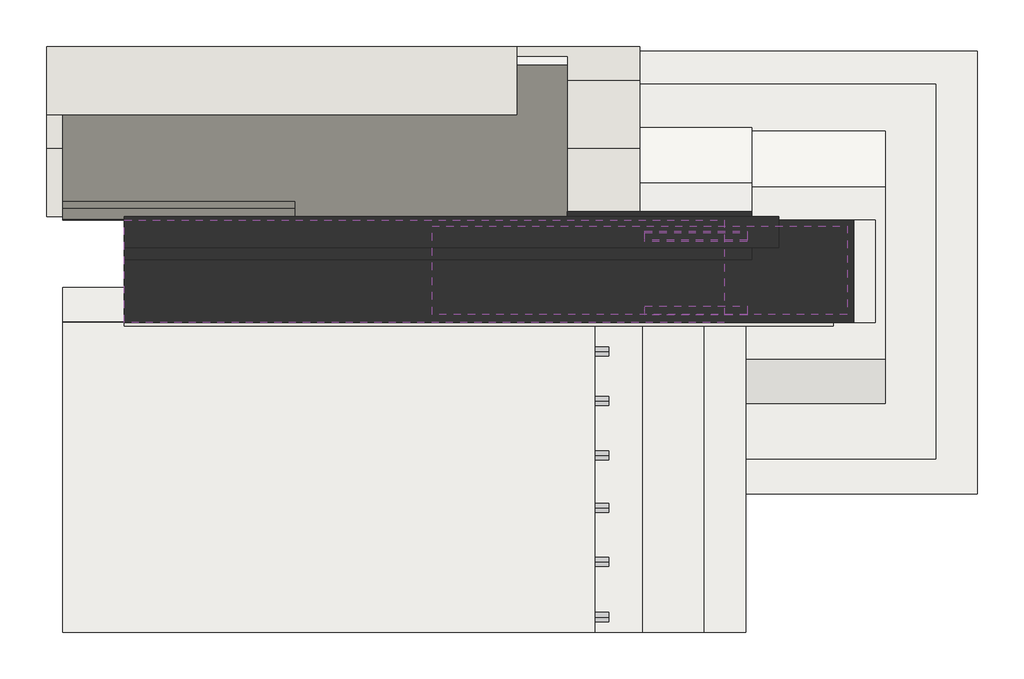
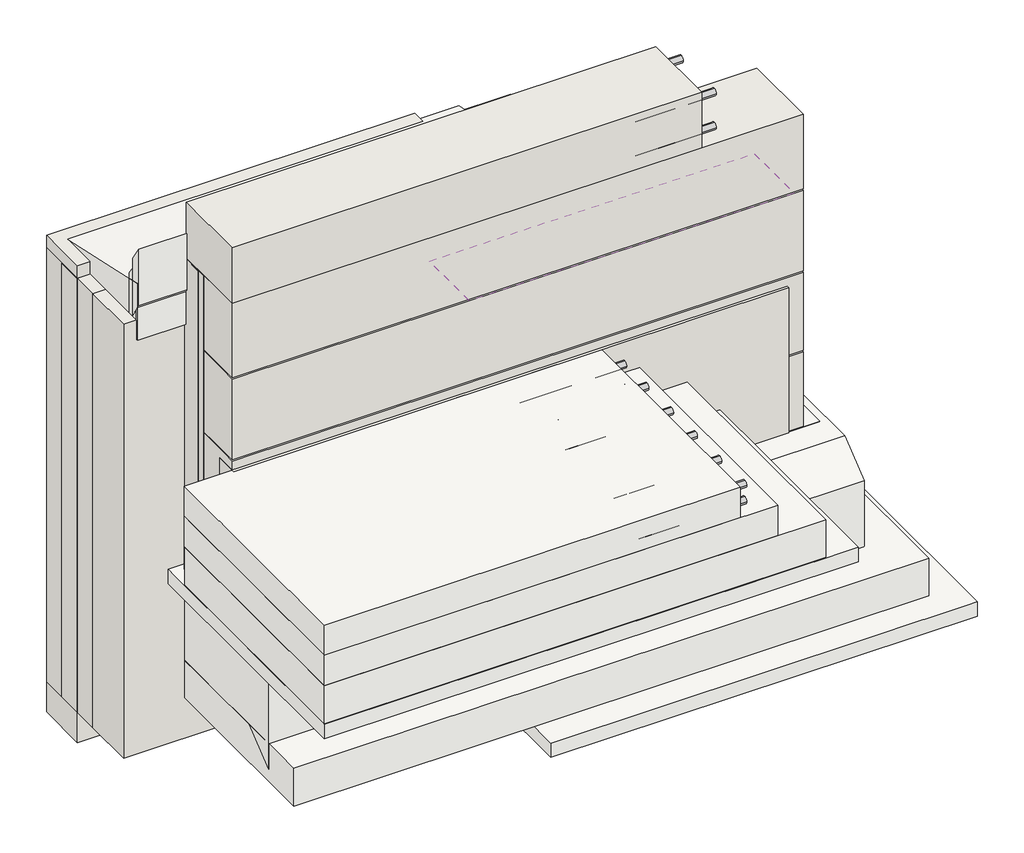
# One storey: 16 pipe segments, 12 walls, 9 slabs, 6 coverings.
"""IFC4 building model written with IfcOpenShell, lengths in millimetres."""

from ifc_helpers import new_model, si_unit, point, frame, frame_2d, origin, origin_with_axes, place, context, project, spatial, polyline, circle_curve, trimmed, segment, composite_curve, outline, extrude, faceted_brep, element, save

model = new_model("IFC4")

# Units and contexts
model_context = context("Model", 3, world=origin())
ifc_project = project(units=[si_unit("LENGTHUNIT", "METRE", prefix="MILLI")], contexts=[model_context])

# Site, building, storey
site = spatial("IfcSite", under=ifc_project)
building = spatial("IfcBuilding", under=site)
storey = spatial("IfcBuildingStorey", under=building, Elevation=0.0)

# Coverings
placement = place(None, origin())
element("IfcCovering", 1, at=placement, inside=storey, context=model_context, shape_type="SweptSolid", body=[
    extrude(outline(polyline([(10455.1873564, -251.6583292), (10455.1873564, 1048.3416708), (12055.1873564, 1048.3416708), (12055.1873564, -251.6583292), (10455.1873564, -251.6583292)])), frame((0.0, 0.0, -470.0), z_axis=(0.0, 0.0, 1.0), x_axis=(1.0, 0.0, 0.0)), (0.0, 0.0, 1.0), 57.0),
])
element("IfcCovering", 2, at=placement, inside=storey, context=model_context, shape_type="SweptSolid", body=[
    extrude(outline(polyline([(9372.0966737, -657.3518772), (9372.0966737, 354.9614245), (11374.7218425, 354.9614245), (11374.7218425, -657.3518772), (9372.0966737, -657.3518772)])), frame((0.0, 0.0, 230.0), z_axis=(0.0, 0.0, 1.0), x_axis=(1.0, 0.0, 0.0)), (0.0, 0.0, 1.0), 57.0),
])
element("IfcCovering", 3, at=placement, inside=storey, context=model_context, shape_type="SweptSolid", body=[
    extrude(outline(polyline([(10455.1873564, 252.0247217), (10455.1873564, 552.0247217), (11755.1873564, 552.0247217), (11755.1873564, 252.0247217), (10455.1873564, 252.0247217)])), frame((0.0, 0.0, 50.0), z_axis=(0.0, 0.0, 1.0), x_axis=(1.0, 0.0, 0.0)), (0.0, 0.0, 1.0), 52.0),
])
element("IfcCovering", 4, at=placement, inside=storey, context=model_context, shape_type="SweptSolid", body=[
    extrude(outline(polyline([(10455.1873564, 275.5067706), (10455.1873564, 535.5067706), (11672.5621875, 535.5067706), (11672.5621875, 275.5067706), (10455.1873564, 275.5067706)])), frame((0.0, 0.0, 360.0), z_axis=(0.0, 0.0, 1.0), x_axis=(1.0, 0.0, 0.0)), (0.0, 0.0, 1.0), 52.0),
])
element("IfcCovering", 5, at=placement, inside=storey, context=model_context, shape_type="SweptSolid", body=[
    extrude(outline(polyline([(10455.1873564, 275.5067706), (10455.1873564, 535.5067706), (11672.5621875, 535.5067706), (11672.5621875, 275.5067706), (10455.1873564, 275.5067706)])), frame((0.0, 0.0, 680.0), z_axis=(0.0, 0.0, 1.0), x_axis=(1.0, 0.0, 0.0)), (0.0, 0.0, 1.0), 52.0),
])
element("IfcCovering", 6, at=placement, inside=storey, context=model_context, shape_type="SweptSolid", body=[
    extrude(outline(polyline([(10455.1873564, 275.5067706), (10455.1873564, 535.5067706), (11672.5621875, 535.5067706), (11672.5621875, 275.5067706), (10455.1873564, 275.5067706)])), frame((0.0, 0.0, 1020.0), z_axis=(0.0, 0.0, 1.0), x_axis=(1.0, 0.0, 0.0)), (0.0, 0.0, 1.0), 52.0),
])

# Pipe segments
element("IfcPipeSegment", 7, at=placement, inside=storey, context=model_context, shape_type="SweptSolid", body=[
    extrude(outline(composite_curve([segment(trimmed(circle_curve(frame_2d((-612.9752783, 653.7213724)), 13.335), [point((-599.6402783, 653.7213724))], [point((-612.9752783, 640.3863724))], False, "CARTESIAN"), True, "CONTINUOUS"), segment(trimmed(circle_curve(frame_2d((-612.9752783, 653.7213724)), 13.335), [point((-612.9752783, 640.3863724))], [point((-626.3102783, 653.7213724))], False, "CARTESIAN"), True, "CONTINUOUS"), segment(trimmed(circle_curve(frame_2d((-612.9752783, 653.7213724)), 13.335), [point((-626.3102783, 653.7213724))], [point((-612.9752783, 667.0563724))], False, "CARTESIAN"), True, "CONTINUOUS"), segment(trimmed(circle_curve(frame_2d((-612.9752783, 653.7213724)), 13.335), [point((-612.9752783, 667.0563724))], [point((-599.6402783, 653.7213724))], False, "CARTESIAN"), True, "CONTINUOUS")], self_intersect=False)), frame((10573.9130762, 0.0, 0.0), z_axis=(1.0, 0.0, 0.0), x_axis=(0.0, 1.0, 0.0)), (0.0, 0.0, 1.0), 400.0),
])
element("IfcPipeSegment", 8, at=placement, inside=storey, context=model_context, shape_type="SweptSolid", body=[
    extrude(outline(composite_curve([segment(trimmed(circle_curve(frame_2d((-612.9752783, 588.7213724)), 13.335), [point((-599.6402783, 588.7213724))], [point((-612.9752783, 575.3863724))], False, "CARTESIAN"), True, "CONTINUOUS"), segment(trimmed(circle_curve(frame_2d((-612.9752783, 588.7213724)), 13.335), [point((-612.9752783, 575.3863724))], [point((-626.3102783, 588.7213724))], False, "CARTESIAN"), True, "CONTINUOUS"), segment(trimmed(circle_curve(frame_2d((-612.9752783, 588.7213724)), 13.335), [point((-626.3102783, 588.7213724))], [point((-612.9752783, 602.0563724))], False, "CARTESIAN"), True, "CONTINUOUS"), segment(trimmed(circle_curve(frame_2d((-612.9752783, 588.7213724)), 13.335), [point((-612.9752783, 602.0563724))], [point((-599.6402783, 588.7213724))], False, "CARTESIAN"), True, "CONTINUOUS")], self_intersect=False)), frame((10573.9130762, 0.0, 0.0), z_axis=(1.0, 0.0, 0.0), x_axis=(0.0, 1.0, 0.0)), (0.0, 0.0, 1.0), 400.0),
])
element("IfcPipeSegment", 9, at=placement, inside=storey, context=model_context, shape_type="SweptSolid", body=[
    extrude(outline(composite_curve([segment(trimmed(circle_curve(frame_2d((-450.7773477, 650.8374432)), 13.335), [point((-437.4423477, 650.8374432))], [point((-450.7773477, 637.5024432))], False, "CARTESIAN"), True, "CONTINUOUS"), segment(trimmed(circle_curve(frame_2d((-450.7773477, 650.8374432)), 13.335), [point((-450.7773477, 637.5024432))], [point((-464.1123477, 650.8374432))], False, "CARTESIAN"), True, "CONTINUOUS"), segment(trimmed(circle_curve(frame_2d((-450.7773477, 650.8374432)), 13.335), [point((-464.1123477, 650.8374432))], [point((-450.7773477, 664.1724432))], False, "CARTESIAN"), True, "CONTINUOUS"), segment(trimmed(circle_curve(frame_2d((-450.7773477, 650.8374432)), 13.335), [point((-450.7773477, 664.1724432))], [point((-437.4423477, 650.8374432))], False, "CARTESIAN"), True, "CONTINUOUS")], self_intersect=False)), frame((10573.9130762, 0.0, 0.0), z_axis=(1.0, 0.0, 0.0), x_axis=(0.0, 1.0, 0.0)), (0.0, 0.0, 1.0), 400.0),
])
element("IfcPipeSegment", 10, at=placement, inside=storey, context=model_context, shape_type="SweptSolid", body=[
    extrude(outline(composite_curve([segment(trimmed(circle_curve(frame_2d((-450.7773477, 587.2794078)), 13.335), [point((-437.4423477, 587.2794078))], [point((-450.7773477, 573.9444078))], False, "CARTESIAN"), True, "CONTINUOUS"), segment(trimmed(circle_curve(frame_2d((-450.7773477, 587.2794078)), 13.335), [point((-450.7773477, 573.9444078))], [point((-464.1123477, 587.2794078))], False, "CARTESIAN"), True, "CONTINUOUS"), segment(trimmed(circle_curve(frame_2d((-450.7773477, 587.2794078)), 13.335), [point((-464.1123477, 587.2794078))], [point((-450.7773477, 600.6144078))], False, "CARTESIAN"), True, "CONTINUOUS"), segment(trimmed(circle_curve(frame_2d((-450.7773477, 587.2794078)), 13.335), [point((-450.7773477, 600.6144078))], [point((-437.4423477, 587.2794078))], False, "CARTESIAN"), True, "CONTINUOUS")], self_intersect=False)), frame((10573.9130762, 0.0, 0.0), z_axis=(1.0, 0.0, 0.0), x_axis=(0.0, 1.0, 0.0)), (0.0, 0.0, 1.0), 400.0),
])
element("IfcPipeSegment", 11, at=placement, inside=storey, context=model_context, shape_type="SweptSolid", body=[
    extrude(outline(composite_curve([segment(trimmed(circle_curve(frame_2d((-292.9752783, 653.7213724)), 13.335), [point((-279.6402783, 653.7213724))], [point((-292.9752783, 640.3863724))], False, "CARTESIAN"), True, "CONTINUOUS"), segment(trimmed(circle_curve(frame_2d((-292.9752783, 653.7213724)), 13.335), [point((-292.9752783, 640.3863724))], [point((-306.3102783, 653.7213724))], False, "CARTESIAN"), True, "CONTINUOUS"), segment(trimmed(circle_curve(frame_2d((-292.9752783, 653.7213724)), 13.335), [point((-306.3102783, 653.7213724))], [point((-292.9752783, 667.0563724))], False, "CARTESIAN"), True, "CONTINUOUS"), segment(trimmed(circle_curve(frame_2d((-292.9752783, 653.7213724)), 13.335), [point((-292.9752783, 667.0563724))], [point((-279.6402783, 653.7213724))], False, "CARTESIAN"), True, "CONTINUOUS")], self_intersect=False)), frame((10573.9130762, 0.0, 0.0), z_axis=(1.0, 0.0, 0.0), x_axis=(0.0, 1.0, 0.0)), (0.0, 0.0, 1.0), 400.0),
])
element("IfcPipeSegment", 12, at=placement, inside=storey, context=model_context, shape_type="SweptSolid", body=[
    extrude(outline(composite_curve([segment(trimmed(circle_curve(frame_2d((-292.9752783, 588.7213724)), 13.335), [point((-279.6402783, 588.7213724))], [point((-292.9752783, 575.3863724))], False, "CARTESIAN"), True, "CONTINUOUS"), segment(trimmed(circle_curve(frame_2d((-292.9752783, 588.7213724)), 13.335), [point((-292.9752783, 575.3863724))], [point((-306.3102783, 588.7213724))], False, "CARTESIAN"), True, "CONTINUOUS"), segment(trimmed(circle_curve(frame_2d((-292.9752783, 588.7213724)), 13.335), [point((-306.3102783, 588.7213724))], [point((-292.9752783, 602.0563724))], False, "CARTESIAN"), True, "CONTINUOUS"), segment(trimmed(circle_curve(frame_2d((-292.9752783, 588.7213724)), 13.335), [point((-292.9752783, 602.0563724))], [point((-279.6402783, 588.7213724))], False, "CARTESIAN"), True, "CONTINUOUS")], self_intersect=False)), frame((10573.9130762, 0.0, 0.0), z_axis=(1.0, 0.0, 0.0), x_axis=(0.0, 1.0, 0.0)), (0.0, 0.0, 1.0), 400.0),
])
element("IfcPipeSegment", 13, at=placement, inside=storey, context=model_context, shape_type="SweptSolid", body=[
    extrude(outline(composite_curve([segment(trimmed(circle_curve(frame_2d((-137.9752783, 653.7213724)), 13.335), [point((-124.6402783, 653.7213724))], [point((-137.9752783, 640.3863724))], False, "CARTESIAN"), True, "CONTINUOUS"), segment(trimmed(circle_curve(frame_2d((-137.9752783, 653.7213724)), 13.335), [point((-137.9752783, 640.3863724))], [point((-151.3102783, 653.7213724))], False, "CARTESIAN"), True, "CONTINUOUS"), segment(trimmed(circle_curve(frame_2d((-137.9752783, 653.7213724)), 13.335), [point((-151.3102783, 653.7213724))], [point((-137.9752783, 667.0563724))], False, "CARTESIAN"), True, "CONTINUOUS"), segment(trimmed(circle_curve(frame_2d((-137.9752783, 653.7213724)), 13.335), [point((-137.9752783, 667.0563724))], [point((-124.6402783, 653.7213724))], False, "CARTESIAN"), True, "CONTINUOUS")], self_intersect=False)), frame((10573.9130762, 0.0, 0.0), z_axis=(1.0, 0.0, 0.0), x_axis=(0.0, 1.0, 0.0)), (0.0, 0.0, 1.0), 400.0),
])
element("IfcPipeSegment", 14, at=placement, inside=storey, context=model_context, shape_type="SweptSolid", body=[
    extrude(outline(composite_curve([segment(trimmed(circle_curve(frame_2d((-137.9752783, 588.7213724)), 13.335), [point((-124.6402783, 588.7213724))], [point((-137.9752783, 575.3863724))], False, "CARTESIAN"), True, "CONTINUOUS"), segment(trimmed(circle_curve(frame_2d((-137.9752783, 588.7213724)), 13.335), [point((-137.9752783, 575.3863724))], [point((-151.3102783, 588.7213724))], False, "CARTESIAN"), True, "CONTINUOUS"), segment(trimmed(circle_curve(frame_2d((-137.9752783, 588.7213724)), 13.335), [point((-151.3102783, 588.7213724))], [point((-137.9752783, 602.0563724))], False, "CARTESIAN"), True, "CONTINUOUS"), segment(trimmed(circle_curve(frame_2d((-137.9752783, 588.7213724)), 13.335), [point((-137.9752783, 602.0563724))], [point((-124.6402783, 588.7213724))], False, "CARTESIAN"), True, "CONTINUOUS")], self_intersect=False)), frame((10573.9130762, 0.0, 0.0), z_axis=(1.0, 0.0, 0.0), x_axis=(0.0, 1.0, 0.0)), (0.0, 0.0, 1.0), 400.0),
])
element("IfcPipeSegment", 15, at=placement, inside=storey, context=model_context, shape_type="SweptSolid", body=[
    extrude(outline(composite_curve([segment(trimmed(circle_curve(frame_2d((22.0247217, 653.7213724)), 13.335), [point((35.3597217, 653.7213724))], [point((22.0247217, 640.3863724))], False, "CARTESIAN"), True, "CONTINUOUS"), segment(trimmed(circle_curve(frame_2d((22.0247217, 653.7213724)), 13.335), [point((22.0247217, 640.3863724))], [point((8.6897217, 653.7213724))], False, "CARTESIAN"), True, "CONTINUOUS"), segment(trimmed(circle_curve(frame_2d((22.0247217, 653.7213724)), 13.335), [point((8.6897217, 653.7213724))], [point((22.0247217, 667.0563724))], False, "CARTESIAN"), True, "CONTINUOUS"), segment(trimmed(circle_curve(frame_2d((22.0247217, 653.7213724)), 13.335), [point((22.0247217, 667.0563724))], [point((35.3597217, 653.7213724))], False, "CARTESIAN"), True, "CONTINUOUS")], self_intersect=False)), frame((10573.9130762, 0.0, 0.0), z_axis=(1.0, 0.0, 0.0), x_axis=(0.0, 1.0, 0.0)), (0.0, 0.0, 1.0), 400.0),
])
element("IfcPipeSegment", 16, at=placement, inside=storey, context=model_context, shape_type="SweptSolid", body=[
    extrude(outline(composite_curve([segment(trimmed(circle_curve(frame_2d((22.0247217, 588.7213724)), 13.335), [point((35.3597217, 588.7213724))], [point((22.0247217, 575.3863724))], False, "CARTESIAN"), True, "CONTINUOUS"), segment(trimmed(circle_curve(frame_2d((22.0247217, 588.7213724)), 13.335), [point((22.0247217, 575.3863724))], [point((8.6897217, 588.7213724))], False, "CARTESIAN"), True, "CONTINUOUS"), segment(trimmed(circle_curve(frame_2d((22.0247217, 588.7213724)), 13.335), [point((8.6897217, 588.7213724))], [point((22.0247217, 602.0563724))], False, "CARTESIAN"), True, "CONTINUOUS"), segment(trimmed(circle_curve(frame_2d((22.0247217, 588.7213724)), 13.335), [point((22.0247217, 602.0563724))], [point((35.3597217, 588.7213724))], False, "CARTESIAN"), True, "CONTINUOUS")], self_intersect=False)), frame((10573.9130762, 0.0, 0.0), z_axis=(1.0, 0.0, 0.0), x_axis=(0.0, 1.0, 0.0)), (0.0, 0.0, 1.0), 400.0),
])
element("IfcPipeSegment", 17, at=placement, inside=storey, context=model_context, shape_type="SweptSolid", body=[
    extrude(outline(composite_curve([segment(trimmed(circle_curve(frame_2d((167.0247217, 653.7213724)), 13.335), [point((180.3597217, 653.7213724))], [point((167.0247217, 640.3863724))], False, "CARTESIAN"), True, "CONTINUOUS"), segment(trimmed(circle_curve(frame_2d((167.0247217, 653.7213724)), 13.335), [point((167.0247217, 640.3863724))], [point((153.6897217, 653.7213724))], False, "CARTESIAN"), True, "CONTINUOUS"), segment(trimmed(circle_curve(frame_2d((167.0247217, 653.7213724)), 13.335), [point((153.6897217, 653.7213724))], [point((167.0247217, 667.0563724))], False, "CARTESIAN"), True, "CONTINUOUS"), segment(trimmed(circle_curve(frame_2d((167.0247217, 653.7213724)), 13.335), [point((167.0247217, 667.0563724))], [point((180.3597217, 653.7213724))], False, "CARTESIAN"), True, "CONTINUOUS")], self_intersect=False)), frame((10573.9130762, 0.0, 0.0), z_axis=(1.0, 0.0, 0.0), x_axis=(0.0, 1.0, 0.0)), (0.0, 0.0, 1.0), 400.0),
])
element("IfcPipeSegment", 18, at=placement, inside=storey, context=model_context, shape_type="SweptSolid", body=[
    extrude(outline(composite_curve([segment(trimmed(circle_curve(frame_2d((167.0247217, 588.7213724)), 13.335), [point((180.3597217, 588.7213724))], [point((167.0247217, 575.3863724))], False, "CARTESIAN"), True, "CONTINUOUS"), segment(trimmed(circle_curve(frame_2d((167.0247217, 588.7213724)), 13.335), [point((167.0247217, 575.3863724))], [point((153.6897217, 588.7213724))], False, "CARTESIAN"), True, "CONTINUOUS"), segment(trimmed(circle_curve(frame_2d((167.0247217, 588.7213724)), 13.335), [point((153.6897217, 588.7213724))], [point((167.0247217, 602.0563724))], False, "CARTESIAN"), True, "CONTINUOUS"), segment(trimmed(circle_curve(frame_2d((167.0247217, 588.7213724)), 13.335), [point((167.0247217, 602.0563724))], [point((180.3597217, 588.7213724))], False, "CARTESIAN"), True, "CONTINUOUS")], self_intersect=False)), frame((10573.9130762, 0.0, 0.0), z_axis=(1.0, 0.0, 0.0), x_axis=(0.0, 1.0, 0.0)), (0.0, 0.0, 1.0), 400.0),
])
element("IfcPipeSegment", 19, at=placement, inside=storey, context=model_context, shape_type="SweptSolid", body=[
    extrude(outline(composite_curve([segment(trimmed(circle_curve(frame_2d((287.0247217, 1518.7492145)), 13.335), [point((300.3597217, 1518.7492145))], [point((287.0247217, 1505.4142145))], False, "CARTESIAN"), True, "CONTINUOUS"), segment(trimmed(circle_curve(frame_2d((287.0247217, 1518.7492145)), 13.335), [point((287.0247217, 1505.4142145))], [point((273.6897217, 1518.7492145))], False, "CARTESIAN"), True, "CONTINUOUS"), segment(trimmed(circle_curve(frame_2d((287.0247217, 1518.7492145)), 13.335), [point((273.6897217, 1518.7492145))], [point((287.0247217, 1532.0842145))], False, "CARTESIAN"), True, "CONTINUOUS"), segment(trimmed(circle_curve(frame_2d((287.0247217, 1518.7492145)), 13.335), [point((287.0247217, 1532.0842145))], [point((300.3597217, 1518.7492145))], False, "CARTESIAN"), True, "CONTINUOUS")], self_intersect=False)), frame((11079.4515966, 0.0, 0.0), z_axis=(1.0, 0.0, 0.0), x_axis=(0.0, 1.0, 0.0)), (0.0, 0.0, 1.0), 300.0),
])
element("IfcPipeSegment", 20, at=placement, inside=storey, context=model_context, shape_type="SweptSolid", body=[
    extrude(outline(composite_curve([segment(trimmed(circle_curve(frame_2d((287.0247217, 1383.7492145)), 13.335), [point((300.3597217, 1383.7492145))], [point((287.0247217, 1370.4142145))], False, "CARTESIAN"), True, "CONTINUOUS"), segment(trimmed(circle_curve(frame_2d((287.0247217, 1383.7492145)), 13.335), [point((287.0247217, 1370.4142145))], [point((273.6897217, 1383.7492145))], False, "CARTESIAN"), True, "CONTINUOUS"), segment(trimmed(circle_curve(frame_2d((287.0247217, 1383.7492145)), 13.335), [point((273.6897217, 1383.7492145))], [point((287.0247217, 1397.0842145))], False, "CARTESIAN"), True, "CONTINUOUS"), segment(trimmed(circle_curve(frame_2d((287.0247217, 1383.7492145)), 13.335), [point((287.0247217, 1397.0842145))], [point((300.3597217, 1383.7492145))], False, "CARTESIAN"), True, "CONTINUOUS")], self_intersect=False)), frame((11079.4515966, 0.0, 0.0), z_axis=(1.0, 0.0, 0.0), x_axis=(0.0, 1.0, 0.0)), (0.0, 0.0, 1.0), 300.0),
])
element("IfcPipeSegment", 21, at=placement, inside=storey, context=model_context, shape_type="SweptSolid", body=[
    extrude(outline(composite_curve([segment(trimmed(circle_curve(frame_2d((502.0247217, 1518.7492145)), 13.335), [point((515.3597217, 1518.7492145))], [point((502.0247217, 1505.4142145))], False, "CARTESIAN"), True, "CONTINUOUS"), segment(trimmed(circle_curve(frame_2d((502.0247217, 1518.7492145)), 13.335), [point((502.0247217, 1505.4142145))], [point((488.6897217, 1518.7492145))], False, "CARTESIAN"), True, "CONTINUOUS"), segment(trimmed(circle_curve(frame_2d((502.0247217, 1518.7492145)), 13.335), [point((488.6897217, 1518.7492145))], [point((502.0247217, 1532.0842145))], False, "CARTESIAN"), True, "CONTINUOUS"), segment(trimmed(circle_curve(frame_2d((502.0247217, 1518.7492145)), 13.335), [point((502.0247217, 1532.0842145))], [point((515.3597217, 1518.7492145))], False, "CARTESIAN"), True, "CONTINUOUS")], self_intersect=False)), frame((11079.4515966, 0.0, 0.0), z_axis=(1.0, 0.0, 0.0), x_axis=(0.0, 1.0, 0.0)), (0.0, 0.0, 1.0), 300.0),
])
element("IfcPipeSegment", 22, at=placement, inside=storey, context=model_context, shape_type="SweptSolid", body=[
    extrude(outline(composite_curve([segment(trimmed(circle_curve(frame_2d((507.0247217, 1383.7492145)), 13.335), [point((520.3597217, 1383.7492145))], [point((507.0247217, 1370.4142145))], False, "CARTESIAN"), True, "CONTINUOUS"), segment(trimmed(circle_curve(frame_2d((507.0247217, 1383.7492145)), 13.335), [point((507.0247217, 1370.4142145))], [point((493.6897217, 1383.7492145))], False, "CARTESIAN"), True, "CONTINUOUS"), segment(trimmed(circle_curve(frame_2d((507.0247217, 1383.7492145)), 13.335), [point((493.6897217, 1383.7492145))], [point((507.0247217, 1397.0842145))], False, "CARTESIAN"), True, "CONTINUOUS"), segment(trimmed(circle_curve(frame_2d((507.0247217, 1383.7492145)), 13.335), [point((507.0247217, 1397.0842145))], [point((520.3597217, 1383.7492145))], False, "CARTESIAN"), True, "CONTINUOUS")], self_intersect=False)), frame((11079.4515966, 0.0, 0.0), z_axis=(1.0, 0.0, 0.0), x_axis=(0.0, 1.0, 0.0)), (0.0, 0.0, 1.0), 300.0),
])

# Slabs
element("IfcSlab", 23, at=placement, inside=storey, context=model_context, shape_type="SweptSolid", body=[
    extrude(outline(polyline([(13.5585009, -362.0), (13.5585009, 0.0), (142.639391, 100.0), (651.3712022, 100.0), (813.5585009, 0.0), (813.5585009, -362.0), (651.3712022, -262.0), (142.639391, -262.0), (13.5585009, -362.0)])), frame((9552.5621875, 0.0, 0.0), z_axis=(1.0, 0.0, 0.0), x_axis=(0.0, 1.0, 0.0)), (0.0, 0.0, 1.0), 2232.0482905),
])
element("IfcSlab", 24, at=placement, inside=storey, context=model_context, shape_type="SweptSolid", body=[
    extrude(outline(polyline([(9552.5621875, 952.0247217), (11932.9574822, 952.0247217), (11932.9574822, -147.9752783), (9552.5621875, -147.9752783), (9552.5621875, 952.0247217)])), frame((0.0, 0.0, -410.0), z_axis=(0.0, 0.0, 1.0), x_axis=(1.0, 0.0, 0.0)), (0.0, 0.0, 1.0), 150.0),
])
element("IfcSlab", 25, at=placement, inside=storey, context=model_context, shape_type="SweptSolid", body=[
    extrude(outline(polyline([(9372.0966737, 248.0427938), (11252.0966737, 248.0427938), (11252.0966737, -657.9752783), (9372.0966737, -657.9752783), (9372.0966737, 248.0427938)])), frame((0.0, 0.0, 290.0), z_axis=(0.0, 0.0, 1.0), x_axis=(1.0, 0.0, 0.0)), (0.0, 0.0, 1.0), 150.0),
])
element("IfcSlab", 26, at=placement, inside=storey, context=model_context, shape_type="Brep", body=[
    faceted_brep([(9372.0966737, 252.6541765, 350.0), (9552.5621875, 252.6541765, 350.0), (11072.0966737, 252.6541765, 350.0), (11072.0966737, 252.0247217, 350.0), (11072.0966737, -657.9752783, 350.0), (9372.0966737, -657.9752783, 350.0), (9372.0966737, 252.6541765, 560.0), (9372.0966737, -657.9752783, 560.0), (11072.0966737, -657.9752783, 560.0), (11072.0966737, 252.6541765, 560.0), (11072.0966737, 252.6541765, 400.0)], [[[0, 1, 2, 3, 4, 5]], [[6, 7, 8, 9]], [[2, 1, 0, 6, 9, 10]], [[4, 3, 2, 10, 9, 8]], [[5, 4, 8, 7]], [[0, 5, 7, 6]]]),
])
element("IfcSlab", 27, at=placement, inside=storey, context=model_context, shape_type="SweptSolid", body=[
    extrude(outline(polyline([(9372.0966737, 251.3092611), (10932.0966737, 251.3092611), (10932.0966737, -657.9752783), (9372.0966737, -657.9752783), (9372.0966737, 251.3092611)])), frame((0.0, 0.0, 455.0), z_axis=(0.0, 0.0, 1.0), x_axis=(1.0, 0.0, 0.0)), (0.0, 0.0, 1.0), 225.0),
])
element("IfcSlab", 28, at=placement, inside=storey, context=model_context, shape_type="Brep", body=[
    faceted_brep([(9552.5621875, 824.3980995, -287.8010368), (9552.5621875, 824.3980995, 12.1989632), (11064.1015285, 824.3980995, 12.1989632), (11392.5621875, 824.3980995, 12.1989632), (11392.5621875, 824.3980995, -287.8010368), (11064.1015285, 824.3980995, -287.8010368), (11392.5621875, 662.2108008, 112.1989632), (11392.5621875, 292.0247217, 117.1989632), (11392.5621875, 292.0247217, -182.8010368), (11392.5621875, 662.2108008, -187.8010368), (9552.5621875, 292.0247217, 115.4086938), (9552.5621875, 292.0247217, -184.5913062), (9552.5621875, 662.2108008, 112.1989632), (9552.5621875, 762.0247217, 50.6565849), (9552.5621875, 762.0247217, -249.3434151), (9552.5621875, 662.2108008, -187.8010368)], [[[0, 1, 2, 3, 4, 5]], [[4, 3, 6, 7, 8, 9]], [[8, 7, 10, 11]], [[11, 10, 12, 13, 1, 0, 14, 15]], [[10, 7, 12]], [[11, 15, 8]], [[3, 2, 1, 13, 12, 6]], [[4, 9, 15, 14, 0, 5]], [[7, 6, 12]], [[8, 15, 9]]]),
])
element("IfcSlab", 29, at=placement, inside=storey, context=model_context, shape_type="Brep", body=[
    faceted_brep([(9372.0966737, 1032.0247217, 970.0), (9372.0966737, 1032.0247217, 1149.4085346), (9372.0966737, 1032.0247217, 1195.0), (10852.0966737, 1032.0247217, 1195.0), (10852.0966737, 1032.0247217, 1149.4085346), (10852.0966737, 1032.0247217, 970.0), (10852.0966737, 577.0247217, 1294.53125), (10852.0966737, 552.0247217, 1300.0), (10852.0966737, 552.0247217, 1075.0), (10852.0966737, 577.0247217, 1069.53125), (10852.0966737, 862.0247217, 1007.1875), (9552.5621875, 552.0247217, 1300.0), (9372.0966737, 552.0247217, 1300.0), (9372.0966737, 552.0247217, 1075.0), (9552.5621875, 552.0247217, 1075.0), (9372.0966737, 862.0247217, 1007.1875)], [[[0, 1, 2, 3, 4, 5]], [[5, 4, 3, 6, 7, 8, 9, 10]], [[8, 7, 11, 12, 13, 14]], [[13, 12, 2, 1, 0, 15]], [[12, 11, 7, 6, 3, 2]], [[13, 15, 0, 5, 10, 9, 8, 14]]]),
])
element("IfcSlab", 30, at=placement, inside=storey, context=model_context, shape_type="SweptSolid", body=[
    extrude(outline(polyline([(545.7830528, 1215.0), (545.7830528, 1440.0), (585.7830528, 1380.0), (585.7830528, 1155.0), (545.7830528, 1215.0)])), frame((9372.0966737, 0.0, 0.0), z_axis=(1.0, 0.0, 0.0), x_axis=(0.0, 1.0, 0.0)), (0.0, 0.0, 1.0), 680.0),
])
element("IfcSlab", 31, at=placement, inside=storey, context=model_context, shape_type="SweptSolid", body=[
    extrude(outline(polyline([(566.9002556, 1145.0), (566.9002556, 1370.0), (606.9002556, 1310.0), (606.9002556, 1085.0), (566.9002556, 1145.0)])), frame((9372.0966737, 0.0, 0.0), z_axis=(1.0, 0.0, 0.0), x_axis=(0.0, 1.0, 0.0)), (0.0, 0.0, 1.0), 680.0),
])

# Walls
element("IfcWall", 32, at=placement, inside=storey, context=model_context, shape_type="Brep", body=[
    faceted_brep([(11692.5621875, 552.0247217, 104.791636), (9552.5621875, 552.0247217, 104.791636), (9552.5621875, 552.0247217, 400.0), (11692.5621875, 552.0247217, 400.0), (9552.5621875, 252.0247217, 104.791636), (11692.5621875, 252.0247217, 104.791636), (11692.5621875, 252.0247217, 400.0), (11072.0966737, 252.0247217, 400.0), (11072.0966737, 252.0247217, 350.0), (9552.5621875, 252.0247217, 350.0), (9552.5621875, 252.6541765, 350.0), (9552.5621875, 252.6541765, 400.0), (11072.0966737, 252.6541765, 400.0), (11072.0966737, 252.6541765, 350.0)], [[[0, 1, 2, 3]], [[4, 5, 6, 7, 8, 9]], [[1, 0, 5, 4]], [[2, 1, 4, 9, 10, 11]], [[3, 2, 11, 12, 7, 6]], [[0, 3, 6, 5]], [[8, 13, 10, 9]], [[10, 13, 12, 11]], [[13, 8, 7, 12]]]),
])
element("IfcWall", 33, at=placement, inside=storey, context=model_context, shape_type="SweptSolid", body=[
    extrude(outline(polyline([(9552.5621875, 562.0247217), (11472.5621875, 562.0247217), (11472.5621875, 472.0247217), (9552.5621875, 472.0247217), (9552.5621875, 562.0247217)])), origin_with_axes(), (0.0, 0.0, 1.0), 1335.0),
])
element("IfcWall", 34, at=placement, inside=storey, context=model_context, shape_type="SweptSolid", body=[
    extrude(outline(polyline([(9552.5621875, 332.0247217), (11632.5621875, 332.0247217), (11632.5621875, 242.0247217), (9552.5621875, 242.0247217), (9552.5621875, 332.0247217)])), frame((0.0, 0.0, 104.791636), z_axis=(0.0, 0.0, 1.0), x_axis=(1.0, 0.0, 0.0)), (0.0, 0.0, 1.0), 575.208364),
])
element("IfcWall", 35, at=placement, inside=storey, context=model_context, shape_type="Brep", body=[
    faceted_brep([(11392.5621875, 577.0247217, 104.791636), (9552.5621875, 577.0247217, 104.791636), (9552.5621875, 577.0247217, 1069.53125), (10852.0966737, 577.0247217, 1069.53125), (10852.0966737, 577.0247217, 1294.53125), (9552.5621875, 577.0247217, 1294.53125), (9552.5621875, 577.0247217, 1335.0), (11392.5621875, 577.0247217, 1335.0), (9552.5621875, 437.0247217, 104.791636), (11392.5621875, 437.0247217, 104.791636), (11392.5621875, 437.0247217, 1335.0), (9552.5621875, 437.0247217, 1335.0), (9552.5621875, 552.0247217, 1300.0), (9552.5621875, 552.0247217, 1075.0), (10852.0966737, 552.0247217, 1075.0), (10852.0966737, 552.0247217, 1300.0)], [[[0, 1, 2, 3, 4, 5, 6, 7]], [[8, 9, 10, 11]], [[1, 0, 9, 8]], [[8, 11, 6, 5, 12, 13, 2, 1]], [[7, 6, 11, 10]], [[0, 7, 10, 9]], [[14, 15, 4, 3]], [[15, 14, 13, 12]], [[4, 15, 12, 5]], [[13, 14, 3, 2]]]),
])
element("IfcWall", 36, at=placement, inside=storey, context=model_context, shape_type="SweptSolid", body=[
    extrude(outline(polyline([(9552.5621875, 552.0247217), (11312.5621875, 552.0247217), (11312.5621875, 252.0247217), (9552.5621875, 252.0247217), (9552.5621875, 552.0247217)])), frame((0.0, 0.0, 1340.0), z_axis=(0.0, 0.0, 1.0), x_axis=(1.0, 0.0, 0.0)), (0.0, 0.0, 1.0), 220.0),
])
element("IfcWall", 37, at=placement, inside=storey, context=model_context, shape_type="SweptSolid", body=[
    extrude(outline(polyline([(9324.1015285, 762.0247217), (11064.1015285, 762.0247217), (11064.1015285, 562.0247217), (9324.1015285, 562.0247217), (9324.1015285, 762.0247217)])), frame((0.0, 0.0, -570.0), z_axis=(0.0, 0.0, 1.0), x_axis=(1.0, 0.0, 0.0)), (0.0, 0.0, 1.0), 1719.4085346),
])
element("IfcWall", 38, at=placement, inside=storey, context=model_context, shape_type="Brep", body=[
    faceted_brep([(11064.1015285, 962.0247217, -570.0), (9324.1015285, 962.0247217, -570.0), (9324.1015285, 962.0247217, 1149.4085346), (11064.1015285, 962.0247217, 1149.4085346), (9324.1015285, 762.0247217, -570.0), (11064.1015285, 762.0247217, -570.0), (11064.1015285, 762.0247217, -249.3434151), (9552.5621875, 762.0247217, -249.3434151), (9552.5621875, 762.0247217, 50.6565849), (11064.1015285, 762.0247217, 50.6565849), (11064.1015285, 762.0247217, 1149.4085346), (9324.1015285, 762.0247217, 1149.4085346), (11064.1015285, 824.3980995, 12.1989632), (11064.1015285, 824.3980995, -287.8010368), (9552.5621875, 824.3980995, 12.1989632), (9552.5621875, 824.3980995, -287.8010368)], [[[0, 1, 2, 3]], [[4, 5, 6, 7, 8, 9, 10, 11]], [[1, 0, 5, 4]], [[2, 1, 4, 11]], [[3, 2, 11, 10]], [[0, 3, 10, 9, 12, 13, 6, 5]], [[14, 15, 13, 12]], [[15, 14, 8, 7]], [[8, 14, 12, 9]], [[13, 15, 7, 6]]]),
])
element("IfcWall", 39, at=placement, inside=storey, context=model_context, shape_type="Brep", body=[
    faceted_brep([(11064.1015285, 1062.0247217, -570.0), (9324.1015285, 1062.0247217, -570.0), (9324.1015285, 1062.0247217, 1149.4085346), (11064.1015285, 1062.0247217, 1149.4085346), (9324.1015285, 862.0247217, -570.0), (11064.1015285, 862.0247217, -570.0), (11064.1015285, 862.0247217, 1149.4085346), (10852.0966737, 862.0247217, 1149.4085346), (10852.0966737, 862.0247217, 1007.1875), (9372.0966737, 862.0247217, 1007.1875), (9372.0966737, 862.0247217, 1149.4085346), (9324.1015285, 862.0247217, 1149.4085346), (9372.0966737, 1032.0247217, 1149.4085346), (10852.0966737, 1032.0247217, 1149.4085346), (9372.0966737, 1032.0247217, 970.0), (10852.0966737, 1032.0247217, 970.0)], [[[0, 1, 2, 3]], [[4, 5, 6, 7, 8, 9, 10, 11]], [[1, 0, 5, 4]], [[2, 1, 4, 11]], [[3, 2, 11, 10, 12, 13, 7, 6]], [[0, 3, 6, 5]], [[14, 15, 13, 12]], [[13, 15, 8, 7]], [[14, 12, 10, 9]], [[15, 14, 9, 8]]]),
])
element("IfcWall", 40, at=placement, inside=storey, context=model_context, shape_type="SweptSolid", body=[
    extrude(outline(polyline([(9324.1015285, 1062.0247217), (10704.1015285, 1062.0247217), (10704.1015285, 862.0247217), (9324.1015285, 862.0247217), (9324.1015285, 1062.0247217)])), frame((0.0, 0.0, -690.0512254), z_axis=(0.0, 0.0, 1.0), x_axis=(1.0, 0.0, 0.0)), (0.0, 0.0, 1.0), 1890.0512254),
])
element("IfcWall", 41, at=placement, inside=storey, context=model_context, shape_type="SweptSolid", body=[
    extrude(outline(polyline([(9552.5621875, 552.0247217), (11692.5621875, 552.0247217), (11692.5621875, 252.0247217), (9552.5621875, 252.0247217), (9552.5621875, 552.0247217)])), frame((0.0, 0.0, 404.3211858), z_axis=(0.0, 0.0, 1.0), x_axis=(1.0, 0.0, 0.0)), (0.0, 0.0, 1.0), 310.6788142),
])
element("IfcWall", 42, at=placement, inside=storey, context=model_context, shape_type="SweptSolid", body=[
    extrude(outline(polyline([(9552.5621875, 552.0247217), (11692.5621875, 552.0247217), (11692.5621875, 252.0247217), (9552.5621875, 252.0247217), (9552.5621875, 552.0247217)])), frame((0.0, 0.0, 719.8964489), z_axis=(0.0, 0.0, 1.0), x_axis=(1.0, 0.0, 0.0)), (0.0, 0.0, 1.0), 320.1035511),
])
element("IfcWall", 43, at=placement, inside=storey, context=model_context, shape_type="SweptSolid", body=[
    extrude(outline(polyline([(9552.5621875, 552.0247217), (11692.5621875, 552.0247217), (11692.5621875, 252.0247217), (9552.5621875, 252.0247217), (9552.5621875, 552.0247217)])), frame((0.0, 0.0, 1045.6932171), z_axis=(0.0, 0.0, 1.0), x_axis=(1.0, 0.0, 0.0)), (0.0, 0.0, 1.0), 294.3067829),
])

save(model, "model.ifc")
